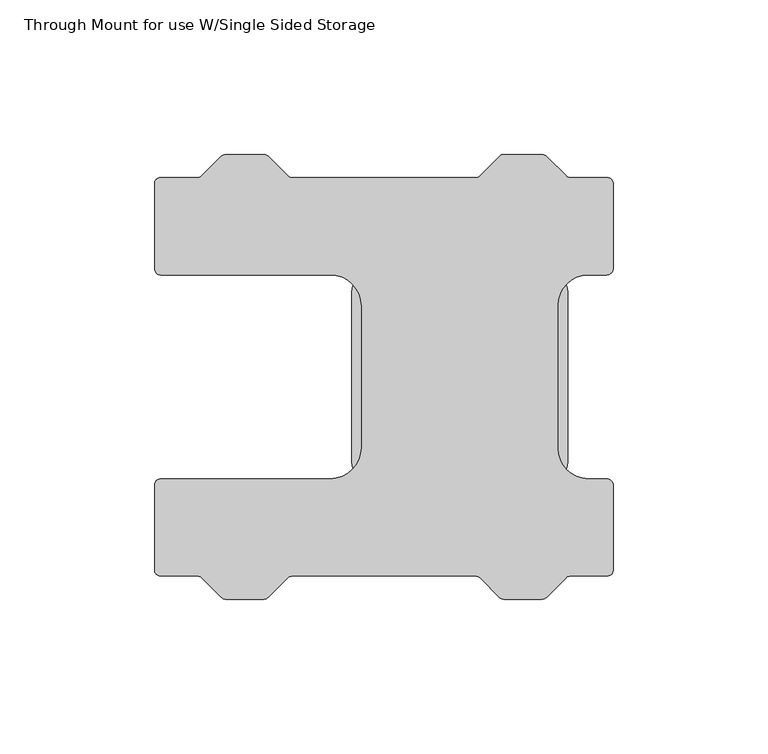
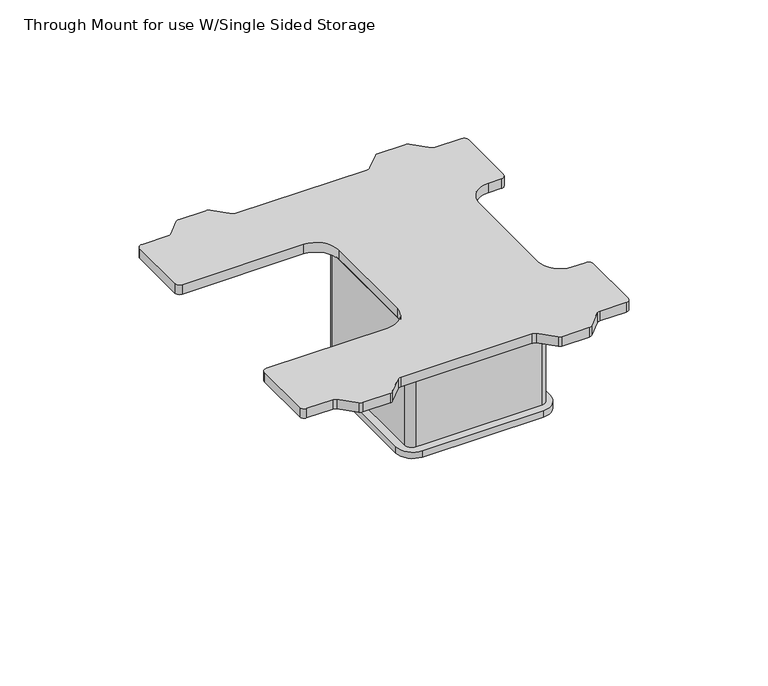
"""IFC4 building model written with IfcOpenShell, lengths in millimetres: furniture geometry, Through Mount for use W/Single Sided Storage."""

from ifc_helpers import new_model, si_unit, point, frame, frame_2d, origin, place, context, project, spatial, polyline, circle_curve, trimmed, segment, composite_curve, outline, extrude, source, transform, mapped, element, save
from ifc_brep_helpers import plane_surface, cylinder_surface, advanced_brep


def through_mount_for_use_w_single_sided_storage_6bc31429(model_context):
    return source(origin(), model_context, "Body", "SolidModel", [
        advanced_brep(
        [(-34.9250008, -27.3431646, 562.6099999), (-27.3431646, -34.9250008, 562.6099999), (27.3431646, -34.9250008, 562.6099999), (34.9250008, -27.3431646, 562.6099999), (34.9250008, 27.3431646, 562.6099999), (27.3431646, 34.9250008, 562.6099999), (-27.3431646, 34.9250008, 562.6099999), (-34.9250008, 27.3431646, 562.6099999), (-34.9250008, -27.3431646, 559.562), (-34.9250008, 27.3431646, 559.562), (-27.3431646, 34.9250008, 559.562), (27.3431646, 34.9250008, 559.562), (34.9250008, 27.3431646, 559.562), (34.9250008, -27.3431646, 559.562), (27.3431646, -34.9250008, 559.562), (-27.3431646, -34.9250008, 559.562), (-28.4520519, 31.7474989, 559.562), (-31.7475012, 28.4520496, 559.562), (-31.7475012, -28.402609, 559.562), (-28.4026112, -31.7474989, 559.562), (28.4222229, -31.7474989, 559.562), (31.7474989, -28.4222229, 559.562), (31.7474989, 28.4319413, 559.562), (28.4319413, 31.7474989, 559.562), (-28.4520519, 31.7474989, 558.7492), (28.4319413, 31.7474989, 558.7492), (31.7474989, 28.4319413, 558.7492), (31.7474989, -28.4222229, 558.7492), (28.4222229, -31.7474989, 558.7492), (-28.4026112, -31.7474989, 558.7492), (-31.7475012, -28.402609, 558.7492), (-31.7475012, 28.4520496, 558.7492)],
        [
            (0, 1, circle_curve(frame((-27.3431646, -27.3431646, 562.6099999), z_axis=(0.0, 0.0, 1.0), x_axis=(-1.0, 0.0, 0.0)), 7.5818362)),
            (1, 2),
            (2, 3, circle_curve(frame((27.3431646, -27.3431646, 562.6099999), z_axis=(0.0, 0.0, 1.0), x_axis=(-1.0, 0.0, 0.0)), 7.5818362)),
            (3, 4),
            (4, 5, circle_curve(frame((27.3431646, 27.3431646, 562.6099999), z_axis=(0.0, 0.0, 1.0), x_axis=(-1.0, 0.0, 0.0)), 7.5818362)),
            (5, 6),
            (6, 7, circle_curve(frame((-27.3431646, 27.3431646, 562.6099999), z_axis=(0.0, 0.0, 1.0), x_axis=(-1.0, 0.0, 0.0)), 7.5818362)),
            (7, 0),
            (8, 9),
            (9, 10, circle_curve(frame((-27.3431646, 27.3431646, 559.562), z_axis=(0.0, 0.0, -1.0), x_axis=(-1.0, 0.0, 0.0)), 7.5818362)),
            (10, 11),
            (11, 12, circle_curve(frame((27.3431646, 27.3431646, 559.562), z_axis=(0.0, 0.0, -1.0), x_axis=(-1.0, 0.0, 0.0)), 7.5818362)),
            (12, 13),
            (13, 14, circle_curve(frame((27.3431646, -27.3431646, 559.562), z_axis=(0.0, 0.0, -1.0), x_axis=(-1.0, 0.0, 0.0)), 7.5818362)),
            (14, 15),
            (15, 8, circle_curve(frame((-27.3431646, -27.3431646, 559.562), z_axis=(0.0, 0.0, -1.0), x_axis=(-1.0, 0.0, 0.0)), 7.5818362)),
            (16, 17, circle_curve(frame((-28.4520519, 28.4520496, 559.562), z_axis=(0.0, 0.0, 1.0), x_axis=(-1.0, 0.0, 0.0)), 3.2954493)),
            (17, 18),
            (18, 19, circle_curve(frame((-28.4026112, -28.402609, 559.562), z_axis=(0.0, 0.0, 1.0), x_axis=(-1.0, 0.0, 0.0)), 3.34489)),
            (19, 20),
            (20, 21, circle_curve(frame((28.4222229, -28.4222229, 559.562), z_axis=(0.0, 0.0, 1.0), x_axis=(-1.0, 0.0, 0.0)), 3.325276)),
            (21, 22),
            (22, 23, circle_curve(frame((28.4319413, 28.4319413, 559.562), z_axis=(0.0, 0.0, 1.0), x_axis=(-1.0, 0.0, 0.0)), 3.3155576)),
            (23, 16),
            (0, 8),
            (15, 1),
            (14, 2),
            (13, 3),
            (12, 4),
            (11, 5),
            (10, 6),
            (9, 7),
            (24, 25),
            (25, 26, circle_curve(frame((28.4319413, 28.4319413, 558.7492), z_axis=(0.0, 0.0, -1.0), x_axis=(-1.0, 0.0, 0.0)), 3.3155576)),
            (26, 27),
            (27, 28, circle_curve(frame((28.4222229, -28.4222229, 558.7492), z_axis=(0.0, 0.0, -1.0), x_axis=(-1.0, 0.0, 0.0)), 3.325276)),
            (28, 29),
            (29, 30, circle_curve(frame((-28.4026112, -28.402609, 558.7492), z_axis=(0.0, 0.0, -1.0), x_axis=(-1.0, 0.0, 0.0)), 3.34489)),
            (30, 31),
            (31, 24, circle_curve(frame((-28.4520519, 28.4520496, 558.7492), z_axis=(0.0, 0.0, -1.0), x_axis=(-1.0, 0.0, 0.0)), 3.2954493)),
            (31, 17),
            (16, 24),
            (30, 18),
            (29, 19),
            (28, 20),
            (27, 21),
            (26, 22),
            (25, 23),
        ],
        [
            plane_surface(frame((-34.9250008, -27.3431646, 562.6099999), z_axis=(0.0, 0.0, 1.0), x_axis=(0.0, -1.0, 0.0))),
            plane_surface(frame((-34.9250008, -27.3431646, 559.562), z_axis=(0.0, 0.0, -1.0), x_axis=(0.0, 1.0, 0.0))),
            cylinder_surface(frame((-27.3431646, -27.3431646, 559.562), z_axis=(0.0, 0.0, 1.0), x_axis=(-1.0, 0.0, 0.0)), 7.5818362),
            plane_surface(frame((-27.3431646, -34.9250008, 562.6099999), z_axis=(0.0, -1.0, 0.0), x_axis=(0.0, 0.0, -1.0))),
            cylinder_surface(frame((27.3431646, -27.3431646, 559.562), z_axis=(0.0, 0.0, 1.0), x_axis=(-1.0, 0.0, 0.0)), 7.5818362),
            plane_surface(frame((34.9250008, -27.3431646, 562.6099999), z_axis=(1.0, 0.0, 0.0), x_axis=(0.0, 0.0, -1.0))),
            cylinder_surface(frame((27.3431646, 27.3431646, 559.562), z_axis=(0.0, 0.0, 1.0), x_axis=(-1.0, 0.0, 0.0)), 7.5818362),
            plane_surface(frame((27.3431646, 34.9250008, 562.6099999), z_axis=(0.0, 1.0, 0.0), x_axis=(0.0, 0.0, -1.0))),
            cylinder_surface(frame((-27.3431646, 27.3431646, 559.562), z_axis=(0.0, 0.0, 1.0), x_axis=(-1.0, 0.0, 0.0)), 7.5818362),
            plane_surface(frame((-34.9250008, 27.3431646, 562.6099999), z_axis=(-1.0, 0.0, 0.0), x_axis=(0.0, 0.0, -1.0))),
            plane_surface(frame((-31.7475012, 28.4520496, 558.7492), z_axis=(0.0, 0.0, -1.0), x_axis=(0.0, 1.0, 0.0))),
            cylinder_surface(frame((-28.4520519, 28.4520496, 558.7492), z_axis=(0.0, 0.0, 1.0), x_axis=(-1.0, 0.0, 0.0)), 3.2954493),
            plane_surface(frame((-31.7475012, 28.4520496, 561.3243996), z_axis=(-1.0, 0.0, 0.0), x_axis=(0.0, 0.0, -1.0))),
            cylinder_surface(frame((-28.4026112, -28.402609, 558.7492), z_axis=(0.0, 0.0, 1.0), x_axis=(-1.0, 0.0, 0.0)), 3.34489),
            plane_surface(frame((-28.4026112, -31.7474989, 561.3243996), z_axis=(0.0, -1.0, 0.0), x_axis=(0.0, 0.0, -1.0))),
            cylinder_surface(frame((28.4222229, -28.4222229, 558.7492), z_axis=(0.0, 0.0, 1.0), x_axis=(-1.0, 0.0, 0.0)), 3.325276),
            plane_surface(frame((31.7474989, -28.4222229, 561.3243996), z_axis=(1.0, 0.0, 0.0), x_axis=(0.0, 0.0, -1.0))),
            cylinder_surface(frame((28.4319413, 28.4319413, 558.7492), z_axis=(0.0, 0.0, 1.0), x_axis=(-1.0, 0.0, 0.0)), 3.3155576),
            plane_surface(frame((28.4319413, 31.7474989, 561.3243996), z_axis=(0.0, 1.0, 0.0), x_axis=(0.0, 0.0, -1.0))),
        ],
        [
            (0, [[1, 2, 3, 4, 5, 6, 7, 8]]),
            (1, [[9, 10, 11, 12, 13, 14, 15, 16], [17, 18, 19, 20, 21, 22, 23, 24]]),
            (2, [[-1, 25, -16, 26]]),
            (3, [[-2, -26, -15, 27]]),
            (4, [[-3, -27, -14, 28]]),
            (5, [[-4, -28, -13, 29]]),
            (6, [[-5, -29, -12, 30]]),
            (7, [[-6, -30, -11, 31]]),
            (8, [[-7, -31, -10, 32]]),
            (9, [[-8, -32, -9, -25]]),
            (10, [[33, 34, 35, 36, 37, 38, 39, 40]]),
            (11, [[-40, 41, -17, 42]]),
            (12, [[-39, 43, -18, -41]]),
            (13, [[-38, 44, -19, -43]]),
            (14, [[-37, 45, -20, -44]]),
            (15, [[-36, 46, -21, -45]]),
            (16, [[-35, 47, -22, -46]]),
            (17, [[-34, 48, -23, -47]]),
            (18, [[-33, -42, -24, -48]]),
        ],
    ),
        extrude(outline(composite_curve([segment(polyline([(-28.4520519, 31.7474989), (28.4319413, 31.7474989)]), True, "CONTINUOUS"), segment(trimmed(circle_curve(frame_2d((28.4319413, 28.4319413)), 3.3155576), [point((28.4319413, 31.7474989))], [point((31.7474989, 28.4319413))], False, "CARTESIAN"), True, "CONTINUOUS"), segment(polyline([(31.7474989, 28.4319413), (31.7474989, -28.4222229)]), True, "CONTINUOUS"), segment(trimmed(circle_curve(frame_2d((28.4222229, -28.4222229)), 3.325276), [point((31.7474989, -28.4222229))], [point((28.4222229, -31.7474989))], False, "CARTESIAN"), True, "CONTINUOUS"), segment(polyline([(28.4222229, -31.7474989), (-28.4026112, -31.7474989)]), True, "CONTINUOUS"), segment(trimmed(circle_curve(frame_2d((-28.4026112, -28.402609)), 3.34489), [point((-28.4026112, -31.7474989))], [point((-31.7475012, -28.402609))], False, "CARTESIAN"), True, "CONTINUOUS"), segment(polyline([(-31.7475012, -28.402609), (-31.7475012, 28.4520496)]), True, "CONTINUOUS"), segment(trimmed(circle_curve(frame_2d((-28.4520519, 28.4520496)), 3.2954493), [point((-31.7475012, 28.4520496))], [point((-28.4520519, 31.7474989))], False, "CARTESIAN"), True, "CONTINUOUS")], self_intersect=False)), frame((0.0, 0.0, 562.6099999), z_axis=(0.0, 0.0, 1.0), x_axis=(1.0, 0.0, 0.0)), (0.0, 0.0, 1.0), 57.9199992),
        extrude(outline(composite_curve([segment(trimmed(circle_curve(frame_2d((-96.77483, 62.5248266)), 1.9751744), [point((-98.7500044, 62.5248266))], [point((-96.77483, 64.500001))], False, "CARTESIAN"), True, "CONTINUOUS"), segment(polyline([(-96.77483, 64.500001), (-84.8247461, 64.500001)]), True, "CONTINUOUS"), segment(trimmed(circle_curve(frame_2d((-84.8247461, 66.4911232)), 1.9911222), [point((-84.8247461, 64.500001))], [point((-83.4168096, 65.0831877))], True, "CARTESIAN"), True, "CONTINUOUS"), segment(polyline([(-83.4168096, 65.0831877), (-77.0999638, 71.400038)]), True, "CONTINUOUS"), segment(trimmed(circle_curve(frame_2d((-75.6515234, 69.9515986)), 2.0484034), [point((-77.0999638, 71.400038))], [point((-75.6515234, 72.000002))], False, "CARTESIAN"), True, "CONTINUOUS"), segment(polyline([(-75.6515234, 72.000002), (-63.3540288, 72.000002)]), True, "CONTINUOUS"), segment(trimmed(circle_curve(frame_2d((-63.3540288, 69.9381952)), 2.0618068), [point((-63.3540288, 72.000002))], [point((-61.8961107, 71.3961122))], False, "CARTESIAN"), True, "CONTINUOUS"), segment(polyline([(-61.8961107, 71.3961122), (-55.5855118, 65.0855088)]), True, "CONTINUOUS"), segment(trimmed(circle_curve(frame_2d((-54.1719717, 66.4990479)), 1.9990468), [point((-55.5855118, 65.0855088))], [point((-54.1719717, 64.500001))], True, "CARTESIAN"), True, "CONTINUOUS"), segment(polyline([(-54.1719717, 64.500001), (5.0444951, 64.500001)]), True, "CONTINUOUS"), segment(trimmed(circle_curve(frame_2d((5.0444951, 66.8067993)), 2.3067983), [point((5.0444951, 64.500001))], [point((6.675648, 65.1756468))], True, "CARTESIAN"), True, "CONTINUOUS"), segment(polyline([(6.675648, 65.1756468), (13.0124966, 71.5124971)]), True, "CONTINUOUS"), segment(trimmed(circle_curve(frame_2d((14.1894373, 70.3355567)), 1.6644453), [point((13.0124966, 71.5124971))], [point((14.1894373, 72.000002))], False, "CARTESIAN"), True, "CONTINUOUS"), segment(polyline([(14.1894373, 72.000002), (26.5881281, 72.000002)]), True, "CONTINUOUS"), segment(trimmed(circle_curve(frame_2d((26.5881281, 69.7985546)), 2.2014474), [point((26.5881281, 72.000002))], [point((28.1447868, 71.3552127))], False, "CARTESIAN"), True, "CONTINUOUS"), segment(polyline([(28.1447868, 71.3552127), (34.3966489, 65.1033483)]), True, "CONTINUOUS"), segment(trimmed(circle_curve(frame_2d((35.8532577, 66.5599565)), 2.0599555), [point((34.3966489, 65.1033483))], [point((35.8532577, 64.500001))], True, "CARTESIAN"), True, "CONTINUOUS"), segment(polyline([(35.8532577, 64.500001), (47.6934445, 64.500001)]), True, "CONTINUOUS"), segment(trimmed(circle_curve(frame_2d((47.6934445, 62.4434481)), 2.056553), [point((47.6934445, 64.500001))], [point((49.7499975, 62.4434481))], False, "CARTESIAN"), True, "CONTINUOUS"), segment(polyline([(49.7499975, 62.4434481), (49.7499975, 35.1876248)]), True, "CONTINUOUS"), segment(trimmed(circle_curve(frame_2d((47.5623728, 35.1876248)), 2.1876246), [point((49.7499975, 35.1876248))], [point((47.5623728, 33.0000002))], False, "CARTESIAN"), True, "CONTINUOUS"), segment(polyline([(47.5623728, 33.0000002), (41.6487362, 33.0000002)]), True, "CONTINUOUS"), segment(trimmed(circle_curve(frame_2d((41.6487362, 23.1012632)), 9.898737), [point((41.6487362, 33.0000002))], [point((31.7499992, 23.1012632))], True, "CARTESIAN"), True, "CONTINUOUS"), segment(polyline([(31.7499992, 23.1012632), (31.7499992, -23.1012632)]), True, "CONTINUOUS"), segment(trimmed(circle_curve(frame_2d((41.6487362, -23.1012632)), 9.898737), [point((31.7499992, -23.1012632))], [point((41.6487362, -33.0000002))], True, "CARTESIAN"), True, "CONTINUOUS"), segment(polyline([(41.6487362, -33.0000002), (47.5623728, -33.0000002)]), True, "CONTINUOUS"), segment(trimmed(circle_curve(frame_2d((47.5623728, -35.1876248)), 2.1876246), [point((47.5623728, -33.0000002))], [point((49.7499975, -35.1876248))], False, "CARTESIAN"), True, "CONTINUOUS"), segment(polyline([(49.7499975, -35.1876248), (49.7499975, -62.4434481)]), True, "CONTINUOUS"), segment(trimmed(circle_curve(frame_2d((47.6934445, -62.4434481)), 2.056553), [point((49.7499975, -62.4434481))], [point((47.6934445, -64.500001))], False, "CARTESIAN"), True, "CONTINUOUS"), segment(polyline([(47.6934445, -64.500001), (35.8532577, -64.500001)]), True, "CONTINUOUS"), segment(trimmed(circle_curve(frame_2d((35.8532577, -66.5599565)), 2.0599555), [point((35.8532577, -64.500001))], [point((34.3966489, -65.1033483))], True, "CARTESIAN"), True, "CONTINUOUS"), segment(polyline([(34.3966489, -65.1033483), (28.1447868, -71.3552127)]), True, "CONTINUOUS"), segment(trimmed(circle_curve(frame_2d((26.5881281, -69.7985546)), 2.2014474), [point((28.1447868, -71.3552127))], [point((26.5881281, -72.000002))], False, "CARTESIAN"), True, "CONTINUOUS"), segment(polyline([(26.5881281, -72.000002), (14.1894373, -72.000002)]), True, "CONTINUOUS"), segment(trimmed(circle_curve(frame_2d((14.1894373, -70.3355567)), 1.6644453), [point((14.1894373, -72.000002))], [point((13.0124966, -71.5124971))], False, "CARTESIAN"), True, "CONTINUOUS"), segment(polyline([(13.0124966, -71.5124971), (6.675648, -65.1756468)]), True, "CONTINUOUS"), segment(trimmed(circle_curve(frame_2d((5.0444951, -66.8067993)), 2.3067983), [point((6.675648, -65.1756468))], [point((5.0444951, -64.500001))], True, "CARTESIAN"), True, "CONTINUOUS"), segment(polyline([(5.0444951, -64.500001), (-54.1719717, -64.500001)]), True, "CONTINUOUS"), segment(trimmed(circle_curve(frame_2d((-54.1719717, -66.4990479)), 1.9990468), [point((-54.1719717, -64.500001))], [point((-55.5855118, -65.0855088))], True, "CARTESIAN"), True, "CONTINUOUS"), segment(polyline([(-55.5855118, -65.0855088), (-61.8961107, -71.3961122)]), True, "CONTINUOUS"), segment(trimmed(circle_curve(frame_2d((-63.3540288, -69.9381952)), 2.0618068), [point((-61.8961107, -71.3961122))], [point((-63.3540288, -72.000002))], False, "CARTESIAN"), True, "CONTINUOUS"), segment(polyline([(-63.3540288, -72.000002), (-75.6515234, -72.000002)]), True, "CONTINUOUS"), segment(trimmed(circle_curve(frame_2d((-75.6515234, -69.9515986)), 2.0484034), [point((-75.6515234, -72.000002))], [point((-77.0999638, -71.400038))], False, "CARTESIAN"), True, "CONTINUOUS"), segment(polyline([(-77.0999638, -71.400038), (-83.4168096, -65.0831877)]), True, "CONTINUOUS"), segment(trimmed(circle_curve(frame_2d((-84.8247461, -66.4911232)), 1.9911222), [point((-83.4168096, -65.0831877))], [point((-84.8247461, -64.500001))], True, "CARTESIAN"), True, "CONTINUOUS"), segment(polyline([(-84.8247461, -64.500001), (-96.77483, -64.500001)]), True, "CONTINUOUS"), segment(trimmed(circle_curve(frame_2d((-96.77483, -62.5248266)), 1.9751744), [point((-96.77483, -64.500001))], [point((-98.7500044, -62.5248266))], False, "CARTESIAN"), True, "CONTINUOUS"), segment(polyline([(-98.7500044, -62.5248266), (-98.7500044, -35.0317345)]), True, "CONTINUOUS"), segment(trimmed(circle_curve(frame_2d((-96.7182701, -35.0317345)), 2.0317343), [point((-98.7500044, -35.0317345))], [point((-96.7182701, -33.0000002))], False, "CARTESIAN"), True, "CONTINUOUS"), segment(polyline([(-96.7182701, -33.0000002), (-41.9396595, -33.0000002)]), True, "CONTINUOUS"), segment(trimmed(circle_curve(frame_2d((-41.9396595, -22.8103399)), 10.1896602), [point((-41.9396595, -33.0000002))], [point((-31.7499992, -22.8103399))], True, "CARTESIAN"), True, "CONTINUOUS"), segment(polyline([(-31.7499992, -22.8103399), (-31.7499992, 22.8103399)]), True, "CONTINUOUS"), segment(trimmed(circle_curve(frame_2d((-41.9396595, 22.8103399)), 10.1896602), [point((-31.7499992, 22.8103399))], [point((-41.9396595, 33.0000002))], True, "CARTESIAN"), True, "CONTINUOUS"), segment(polyline([(-41.9396595, 33.0000002), (-96.7182701, 33.0000002)]), True, "CONTINUOUS"), segment(trimmed(circle_curve(frame_2d((-96.7182701, 35.0317345)), 2.0317343), [point((-96.7182701, 33.0000002))], [point((-98.7500044, 35.0317345))], False, "CARTESIAN"), True, "CONTINUOUS"), segment(polyline([(-98.7500044, 35.0317345), (-98.7500044, 62.5248266)]), True, "CONTINUOUS")], self_intersect=False)), frame((0.0, 0.0, 620.5299991), z_axis=(0.0, 0.0, 1.0), x_axis=(1.0, 0.0, 0.0)), (0.0, 0.0, 1.0), 4.5720002),
    ])


if __name__ == "__main__":
    model = new_model("IFC4")
    model_context = context("Model", 3, world=origin())
    ifc_project = project(units=[si_unit("LENGTHUNIT", "METRE", prefix="MILLI")], contexts=[model_context])
    site = spatial("IfcSite", under=ifc_project)
    building = spatial("IfcBuilding", under=site)
    placement = place(None, origin())
    through_mount_for_use_w_single_sided_storage_shape = through_mount_for_use_w_single_sided_storage_6bc31429(model_context)
    element("IfcFurniture", 1, ObjectType="Through Mount for use W/Single Sided Storage", at=placement, inside=building, context=model_context, shape_type="MappedRepresentation", body=[
        mapped(through_mount_for_use_w_single_sided_storage_shape, transform((0.0, 0.0, 0.0), x_axis=(1.0, 0.0, 0.0), y_axis=(0.0, 1.0, 0.0), z_axis=(0.0, 0.0, 1.0))),
    ])
    save(model, "model.ifc")
